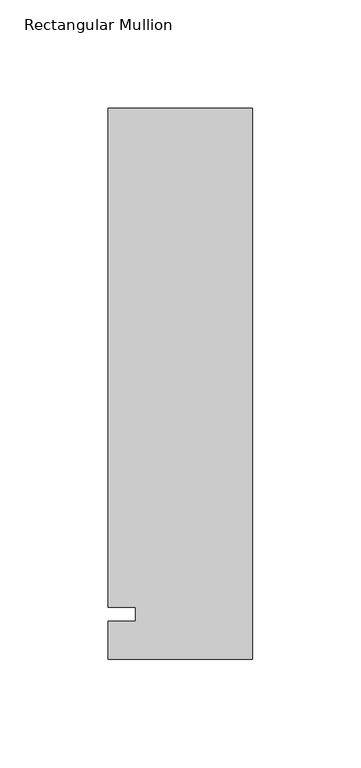
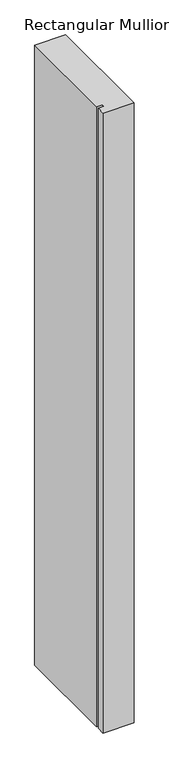
"""IFC4 building model written with IfcOpenShell, lengths in millimetres: member geometry, Rectangular Mullion."""

from ifc_helpers import new_model, si_unit, frame, origin, place, context, project, spatial, polyline, outline, extrude, source, transform, mapped, element, save


def rectangular_mullion_26394d7b(model_context):
    return source(origin(), model_context, "Body", "SweptSolid", [
        extrude(outline(polyline([(-66.675, 233.3625), (0.0, 233.3625), (0.0, -20.6375), (-66.675, -20.6375), (-66.675, -3.175), (-53.9732296, -3.175), (-53.9732296, 3.175), (-66.675, 3.175), (-66.675, 233.3625)])), frame((0.0, 0.0, -1407.482264), z_axis=(0.0, 0.0, 1.0), x_axis=(1.0, 0.0, 0.0)), (0.0, 0.0, 1.0), 1407.482264),
    ])


if __name__ == "__main__":
    model = new_model("IFC4")
    model_context = context("Model", 3, world=origin())
    ifc_project = project(units=[si_unit("LENGTHUNIT", "METRE", prefix="MILLI")], contexts=[model_context])
    site = spatial("IfcSite", under=ifc_project)
    building = spatial("IfcBuilding", under=site)
    placement = place(None, origin())
    rectangular_mullion_shape = rectangular_mullion_26394d7b(model_context)
    element("IfcMember", 1, ObjectType="Rectangular Mullion", at=placement, inside=building, context=model_context, shape_type="MappedRepresentation", body=[
        mapped(rectangular_mullion_shape, transform((0.0, 0.0, 0.0), x_axis=(1.0, 0.0, 0.0), y_axis=(0.0, 1.0, 0.0), z_axis=(0.0, 0.0, 1.0))),
    ])
    save(model, "model.ifc")
